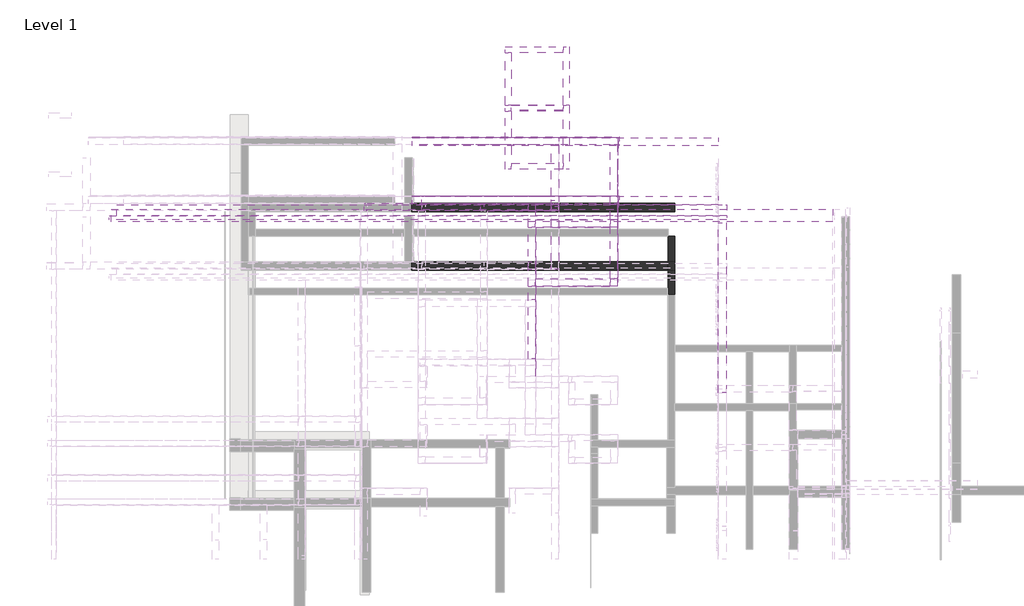
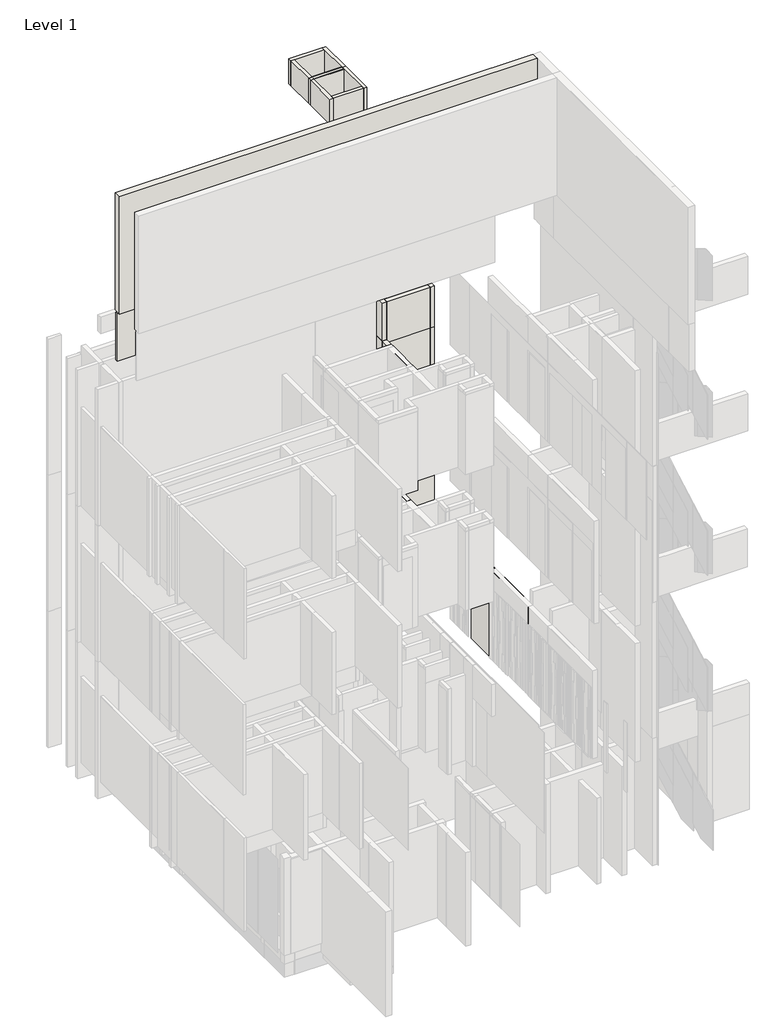
# One storey, part 8 of 16: 66 walls.
"""IFC4 building model written with IfcOpenShell, lengths in millimetres."""

from ifc_helpers import new_model, si_unit, frame, origin, place, context, project, spatial, polyline, outline, extrude, faceted_brep, element, save

model = new_model("IFC4")

# Units and contexts
model_context = context("Model", 3, world=origin())
ifc_project = project(units=[si_unit("LENGTHUNIT", "METRE", prefix="MILLI")], contexts=[model_context])

# Site, building, storey
site = spatial("IfcSite", under=ifc_project)
building = spatial("IfcBuilding", under=site)
storey = spatial("IfcBuildingStorey", under=building, Name="Level 1", Elevation=0.0)

# Walls
placement = place(None, origin())
element("IfcWall", 1, at=placement, inside=storey, context=model_context, shape_type="Brep", body=[
    faceted_brep([(6350.7910444, 10346.119403, 4000.0), (6350.7910444, 10226.1090398, 4000.0), (6350.7910444, 9338.119403, 4000.0), (6350.7910444, 9210.119403, 4000.0), (6350.7910444, 9210.119403, 8300.0), (6350.7910444, 9338.119403, 8300.0), (6350.7910444, 10226.1090398, 8300.0), (6350.7910444, 10354.1090398, 8300.0), (6350.7910444, 10410.119403, 8300.0), (6350.7910444, 10410.119403, 7679.0), (6350.7910444, 10346.119403, 7679.0), (6478.7910444, 10346.119403, 4000.0), (6478.7910444, 10346.119403, 7679.0), (6478.7910444, 10410.119403, 7679.0), (6478.7910444, 10410.119403, 8300.0), (6478.7910444, 9210.119403, 8300.0), (6478.7910444, 9210.119403, 4000.0)], [[[0, 1, 2, 3, 4, 5, 6, 7, 8, 9, 10]], [[11, 12, 13, 14, 15, 16]], [[3, 2, 1, 0, 11, 16]], [[8, 7, 6, 5, 4, 15, 14]], [[3, 16, 15, 4]], [[9, 8, 14, 13]], [[9, 13, 12, 10]], [[0, 10, 12, 11]]]),
])
element("IfcWall", 2, at=placement, inside=storey, context=model_context, shape_type="Brep", body=[
    faceted_brep([(7375.7910444, 10346.119403, 12600.0), (7375.7910444, 9048.119403, 12600.0), (7375.7910444, 8920.119403, 12600.0), (7375.7910444, 8920.119403, 16900.0), (7375.7910444, 9048.119403, 16900.0), (7375.7910444, 10346.119403, 16900.0), (7503.7910444, 10346.119403, 12600.0), (7503.7910444, 10346.119403, 16900.0), (7503.7910444, 8920.119403, 16900.0), (7503.7910444, 8920.119403, 12600.0)], [[[0, 1, 2, 3, 4, 5]], [[6, 7, 8, 9]], [[2, 1, 0, 6, 9]], [[5, 4, 3, 8, 7]], [[0, 5, 7, 6]], [[3, 2, 9, 8]]]),
])
element("IfcWall", 3, at=placement, inside=storey, context=model_context, shape_type="SweptSolid", body=[
    extrude(outline(polyline([(7375.7910444, 8920.119403), (6078.7910444, 8920.119403), (6078.7910444, 9048.119403), (7375.7910444, 9048.119403), (7375.7910444, 8920.119403)])), frame((0.0, 0.0, 12600.0), z_axis=(0.0, 0.0, 1.0), x_axis=(1.0, 0.0, 0.0)), (0.0, 0.0, 1.0), 4300.0),
])
element("IfcWall", 4, at=placement, inside=storey, context=model_context, shape_type="Brep", body=[
    faceted_brep([(6078.7910444, 8920.119403, 12600.0), (6078.7910444, 9048.119403, 12600.0), (6078.7910444, 9210.119403, 12600.0), (6078.7910444, 9210.119403, 16900.0), (6078.7910444, 9048.119403, 16900.0), (6078.7910444, 8920.119403, 16900.0), (5950.7910444, 8920.119403, 12600.0), (5950.7910444, 8920.119403, 13100.0), (5950.7910444, 8920.119403, 15700.0), (5950.7910444, 8920.119403, 16900.0), (5950.7910444, 9210.119403, 16900.0), (5950.7910444, 9210.119403, 12600.0)], [[[0, 1, 2, 3, 4, 5]], [[6, 7, 8, 9, 10, 11]], [[2, 1, 0, 6, 11]], [[5, 4, 3, 10, 9]], [[3, 2, 11, 10]], [[0, 5, 9, 8, 7, 6]]]),
])
element("IfcWall", 5, at=placement, inside=storey, context=model_context, shape_type="SweptSolid", body=[
    extrude(outline(polyline([(9246.7910453, 10330.119403), (3946.7910453, 10330.119403), (3946.7910453, 10474.119403), (9246.7910453, 10474.119403), (9246.7910453, 10330.119403)])), frame((0.0, 0.0, 2500.0), z_axis=(0.0, 0.0, 1.0), x_axis=(1.0, 0.0, 0.0)), (0.0, 0.0, 1.0), 1000.0),
])
element("IfcWall", 6, at=placement, inside=storey, context=model_context, shape_type="Brep", body=[
    faceted_brep([(3946.7910453, 10346.119403, 4000.0), (6350.7910444, 10346.119403, 4000.0), (6478.7910444, 10346.119403, 4000.0), (6478.7910444, 10346.119403, 7679.0), (6350.7910444, 10346.119403, 7679.0), (3946.7910453, 10346.119403, 7679.0), (3946.7910453, 10474.119403, 4000.0), (3946.7910453, 10474.119403, 7679.0), (6350.7910444, 10474.119403, 7679.0), (6478.7910444, 10474.119403, 7679.0), (6478.7910444, 10474.119403, 4000.0), (6350.7910444, 10474.119403, 4000.0), (6478.7910444, 10410.119403, 7679.0)], [[[0, 1, 2, 3, 4, 5]], [[6, 7, 8, 9, 10, 11]], [[2, 1, 0, 6, 11, 10]], [[5, 4, 3, 12, 9, 8, 7]], [[0, 5, 7, 6]], [[3, 2, 10, 9, 12]]]),
])
element("IfcWall", 7, at=placement, inside=storey, context=model_context, shape_type="Brep", body=[
    faceted_brep([(4112.7910444, 10346.1090395, 8300.0), (7375.7910444, 10346.1090395, 8300.0), (7503.7910444, 10346.1090395, 8300.0), (7503.7910444, 10346.1090395, 11980.0), (4112.7910444, 10346.1090395, 11980.0), (4112.7910444, 10346.1090395, 11400.0), (4171.7910444, 10346.1090395, 11400.0), (4171.7910444, 10346.1090395, 8800.0), (4112.7910444, 10346.1090395, 8800.0), (4112.7910444, 10474.1090395, 8300.0), (4112.7910444, 10474.1090395, 8800.0), (4171.7910444, 10474.1090395, 8800.0), (4171.7910444, 10474.1090395, 11400.0), (4112.7910444, 10474.1090395, 11400.0), (4112.7910444, 10474.1090395, 11980.0), (7503.7910444, 10474.1090395, 11980.0), (7503.7910444, 10474.1090395, 8300.0), (4112.7910444, 10354.1090398, 8300.0)], [[[0, 1, 2, 3, 4, 5, 6, 7, 8]], [[9, 10, 11, 12, 13, 14, 15, 16]], [[2, 1, 0, 17, 9, 16]], [[4, 3, 15, 14]], [[3, 2, 16, 15]], [[0, 8, 10, 9, 17]], [[7, 11, 10, 8]], [[5, 4, 14, 13]], [[5, 13, 12, 6]], [[7, 6, 12, 11]]]),
])
element("IfcWall", 8, at=placement, inside=storey, context=model_context, shape_type="Brep", body=[
    faceted_brep([(3929.7910453, 9194.119403, 0.0), (8381.7910444, 9194.119403, 0.0), (8486.7910444, 9194.119403, 0.0), (8486.7910444, 9194.119403, 3445.0), (8381.7910444, 9194.119403, 3445.0), (3929.7910453, 9194.119403, 3445.0), (3929.7910453, 9338.119403, 0.0), (3929.7910453, 9338.119403, 3445.0), (8486.7910444, 9338.119403, 3445.0), (8486.7910444, 9338.119403, 0.0)], [[[0, 1, 2, 3, 4, 5]], [[6, 7, 8, 9]], [[2, 1, 0, 6, 9]], [[5, 4, 3, 8, 7]], [[0, 5, 7, 6]], [[3, 2, 9, 8]]]),
])
element("IfcWall", 9, at=placement, inside=storey, context=model_context, shape_type="Brep", body=[
    faceted_brep([(6078.6745009, 8920.119403, 12067.0), (6078.6745009, 8920.119403, 8300.0), (6078.6745009, 9048.119403, 8300.0), (6078.6745009, 9338.119403, 8300.0), (6078.6745009, 9338.119403, 12067.0), (6078.6745009, 9048.119403, 12067.0), (5950.6745009, 8920.119403, 8300.0), (5950.6745009, 8920.119403, 8800.0), (5950.6745009, 8920.119403, 11400.0), (5950.6745009, 8920.119403, 12067.0), (5950.6745009, 9338.119403, 12067.0), (5950.6745009, 9338.119403, 8300.0), (5950.6745009, 9210.119403, 8300.0)], [[[0, 1, 2, 3, 4, 5]], [[6, 7, 8, 9, 10, 11, 12]], [[3, 2, 1, 6, 12, 11]], [[0, 5, 4, 10, 9]], [[4, 3, 11, 10]], [[0, 9, 8, 7, 6, 1]]]),
])
element("IfcWall", 10, at=placement, inside=storey, context=model_context, shape_type="Brep", body=[
    faceted_brep([(6083.7910444, 8918.119403, 8800.0), (7505.7910444, 8918.119403, 8800.0), (7505.7910444, 8918.119403, 11300.0), (6083.7910444, 8918.119403, 11300.0), (6083.7910444, 8920.119403, 8800.0), (6083.7910444, 8920.119403, 11300.0), (7503.7910444, 8920.119403, 11300.0), (7505.7910444, 8920.119403, 11300.0), (7505.7910444, 8920.119403, 8800.0), (7503.7910444, 8920.119403, 8800.0)], [[[0, 1, 2, 3]], [[4, 5, 6, 7, 8, 9]], [[1, 0, 4, 9, 8]], [[3, 2, 7, 6, 5]], [[0, 3, 5, 4]], [[2, 1, 8, 7]]]),
])
element("IfcWall", 11, at=placement, inside=storey, context=model_context, shape_type="Brep", body=[
    faceted_brep([(7505.7910444, 8920.119403, 8800.0), (7505.7910444, 10107.1090395, 8800.0), (7505.7910444, 10109.1090395, 8800.0), (7505.7910444, 10227.1090395, 8800.0), (7505.7910444, 10227.1090395, 11300.0), (7505.7910444, 10109.1090395, 11300.0), (7505.7910444, 8920.119403, 11300.0), (7503.7910444, 8920.119403, 8800.0), (7503.7910444, 8920.119403, 11300.0), (7503.7910444, 10109.1090395, 11300.0), (7503.7910444, 10227.1090395, 11300.0), (7503.7910444, 10227.1090395, 8800.0)], [[[0, 1, 2, 3, 4, 5, 6]], [[7, 8, 9, 10, 11]], [[3, 2, 1, 0, 7, 11]], [[6, 5, 4, 10, 9, 8]], [[0, 6, 8, 7]], [[4, 3, 11, 10]]]),
])
element("IfcWall", 12, at=placement, inside=storey, context=model_context, shape_type="SweptSolid", body=[
    extrude(outline(polyline([(6081.7910444, 8920.119403), (6081.7910444, 7665.119403), (5950.7910444, 7665.119403), (5950.7910444, 8920.119403), (6081.7910444, 8920.119403)])), frame((0.0, 0.0, 13100.0), z_axis=(0.0, 0.0, 1.0), x_axis=(1.0, 0.0, 0.0)), (0.0, 0.0, 1.0), 2600.0),
])
element("IfcWall", 13, at=placement, inside=storey, context=model_context, shape_type="SweptSolid", body=[
    extrude(outline(polyline([(6081.7910444, 8920.119403), (6081.7910444, 7665.119403), (5950.7910444, 7665.119403), (5950.7910444, 8920.119403), (6081.7910444, 8920.119403)])), frame((0.0, 0.0, 8800.0), z_axis=(0.0, 0.0, 1.0), x_axis=(1.0, 0.0, 0.0)), (0.0, 0.0, 1.0), 2600.0),
])
element("IfcWall", 14, at=placement, inside=storey, context=model_context, shape_type="Brep", body=[
    faceted_brep([(6083.7910444, 8918.119403, 13100.0), (7505.7910444, 8918.119403, 13100.0), (7505.7910444, 8918.119403, 15600.0), (6083.7910444, 8918.119403, 15600.0), (6083.7910444, 8920.119403, 13100.0), (6083.7910444, 8920.119403, 15600.0), (7503.7910444, 8920.119403, 15600.0), (7505.7910444, 8920.119403, 15600.0), (7505.7910444, 8920.119403, 13100.0), (7503.7910444, 8920.119403, 13100.0)], [[[0, 1, 2, 3]], [[4, 5, 6, 7, 8, 9]], [[1, 0, 4, 9, 8]], [[3, 2, 7, 6, 5]], [[0, 3, 5, 4]], [[2, 1, 8, 7]]]),
])
element("IfcWall", 15, at=placement, inside=storey, context=model_context, shape_type="Brep", body=[
    faceted_brep([(7505.7910444, 8920.119403, 13100.0), (7505.7910444, 10107.1090395, 13100.0), (7505.7910444, 10109.1090395, 13100.0), (7505.7910444, 10109.1090395, 15600.0), (7505.7910444, 10107.1090395, 15600.0), (7505.7910444, 8920.119403, 15600.0), (7503.7910444, 8920.119403, 13100.0), (7503.7910444, 8920.119403, 15600.0), (7503.7910444, 10109.1090395, 15600.0), (7503.7910444, 10109.1090395, 13100.0)], [[[0, 1, 2, 3, 4, 5]], [[6, 7, 8, 9]], [[2, 1, 0, 6, 9]], [[5, 4, 3, 8, 7]], [[0, 5, 7, 6]], [[3, 2, 9, 8]]]),
])
element("IfcWall", 16, at=placement, inside=storey, context=model_context, shape_type="Brep", body=[
    faceted_brep([(7375.7910444, 10346.1090395, 8300.0), (7375.7910444, 9048.119403, 8300.0), (7375.7910444, 9048.119403, 12067.0), (7375.7910444, 10346.1090395, 12067.0), (7503.7910444, 10346.1090395, 8300.0), (7503.7910444, 10346.1090395, 11980.0), (7503.7910444, 10346.1090395, 12067.0), (7503.7910444, 9048.119403, 12067.0), (7503.7910444, 9048.119403, 8300.0)], [[[0, 1, 2, 3]], [[4, 5, 6, 7, 8]], [[1, 0, 4, 8]], [[3, 2, 7, 6]], [[0, 3, 6, 5, 4]], [[2, 1, 8, 7]]]),
])
element("IfcWall", 17, at=placement, inside=storey, context=model_context, shape_type="Brep", body=[
    faceted_brep([(6078.6745009, 8920.119403, 8300.0), (7503.7910444, 8920.119403, 8300.0), (7503.7910444, 8920.119403, 12067.0), (6078.6745009, 8920.119403, 12067.0), (6078.6745009, 9048.119403, 8300.0), (6078.6745009, 9048.119403, 12067.0), (7375.7910444, 9048.119403, 12067.0), (7503.7910444, 9048.119403, 12067.0), (7503.7910444, 9048.119403, 8300.0), (7375.7910444, 9048.119403, 8300.0)], [[[0, 1, 2, 3]], [[4, 5, 6, 7, 8, 9]], [[1, 0, 4, 9, 8]], [[3, 2, 7, 6, 5]], [[0, 3, 5, 4]], [[2, 1, 8, 7]]]),
])
element("IfcWall", 18, at=placement, inside=storey, context=model_context, shape_type="Brep", body=[
    faceted_brep([(3946.7910453, 10474.1090395, 8800.0), (7503.7910444, 10474.1090394, 8800.0), (7505.7910444, 10474.1090394, 8800.0), (7505.7910444, 10474.1090394, 11980.0), (7503.7910444, 10474.1090394, 11980.0), (3946.7910453, 10474.1090395, 11980.0), (3946.7910453, 10476.1090395, 8800.0), (3946.7910453, 10476.1090395, 11980.0), (7505.7910444, 10476.1090394, 11980.0), (7505.7910444, 10476.1090394, 8800.0)], [[[0, 1, 2, 3, 4, 5]], [[6, 7, 8, 9]], [[3, 2, 9, 8]], [[2, 1, 0, 6, 9]], [[5, 4, 3, 8, 7]], [[0, 5, 7, 6]]]),
])
element("IfcWall", 19, at=placement, inside=storey, context=model_context, shape_type="Brep", body=[
    faceted_brep([(7503.7910444, 10474.1090394, 8800.0), (7503.7910444, 10227.1090395, 8800.0), (7503.7910444, 10227.1090395, 11300.0), (7503.7910444, 10227.1090395, 11980.0), (7503.7910444, 10474.1090394, 11980.0), (7505.7910444, 10474.1090394, 8800.0), (7505.7910444, 10474.1090394, 11980.0), (7505.7910444, 10228.1090395, 11980.0), (7505.7910444, 10227.1090395, 11980.0), (7505.7910444, 10227.1090395, 11300.0), (7505.7910444, 10227.1090395, 8800.0), (7505.7910444, 10228.1090395, 8800.0)], [[[0, 1, 2, 3, 4]], [[5, 6, 7, 8, 9, 10, 11]], [[0, 4, 6, 5]], [[1, 0, 5, 11, 10]], [[4, 3, 8, 7, 6]], [[3, 2, 1, 10, 9, 8]]]),
])
element("IfcWall", 20, at=placement, inside=storey, context=model_context, shape_type="Brep", body=[
    faceted_brep([(3946.7910453, 10474.119403, 13100.0), (7517.1745009, 10474.119403, 13100.0), (7529.1745009, 10474.119403, 13100.0), (7529.1745009, 10474.119403, 16275.0), (7517.1745009, 10474.119403, 16275.0), (3946.7910453, 10474.119403, 16275.0), (3946.7910453, 10486.119403, 13100.0), (3946.7910453, 10486.119403, 16275.0), (7529.1745009, 10486.119403, 16275.0), (7529.1745009, 10486.119403, 13100.0)], [[[0, 1, 2, 3, 4, 5]], [[6, 7, 8, 9]], [[2, 1, 0, 6, 9]], [[5, 4, 3, 8, 7]], [[0, 5, 7, 6]], [[3, 2, 9, 8]]]),
])
element("IfcWall", 21, at=placement, inside=storey, context=model_context, shape_type="Brep", body=[
    faceted_brep([(7515.7910444, 10239.1090395, 13100.0), (7515.7910444, 10334.119403, 13100.0), (7515.7910444, 10346.119403, 13100.0), (7515.7910444, 10346.119403, 16275.0), (7515.7910444, 10334.119403, 16275.0), (7515.7910444, 10239.1090395, 16275.0), (7503.7910444, 10239.1090395, 13100.0), (7503.7910444, 10239.1090395, 16275.0), (7503.7910444, 10346.119403, 16275.0), (7503.7910444, 10346.119403, 13100.0)], [[[0, 1, 2, 3, 4, 5]], [[6, 7, 8, 9]], [[2, 1, 0, 6, 9]], [[5, 4, 3, 8, 7]], [[0, 5, 7, 6]], [[3, 2, 9, 8]]]),
])
element("IfcWall", 22, at=placement, inside=storey, context=model_context, shape_type="Brep", body=[
    faceted_brep([(7515.7910444, 10334.119403, 13100.0), (7529.1745009, 10334.119403, 13100.0), (7529.1745009, 10334.119403, 16275.0), (7515.7910444, 10334.119403, 16275.0), (7515.7910444, 10346.119403, 13100.0), (7515.7910444, 10346.119403, 16275.0), (7517.1745009, 10346.119403, 16275.0), (7529.1745009, 10346.119403, 16275.0), (7529.1745009, 10346.119403, 13100.0), (7517.1745009, 10346.119403, 13100.0)], [[[0, 1, 2, 3]], [[4, 5, 6, 7, 8, 9]], [[1, 0, 4, 9, 8]], [[3, 2, 7, 6, 5]], [[0, 3, 5, 4]], [[2, 1, 8, 7]]]),
])
element("IfcWall", 23, at=placement, inside=storey, context=model_context, shape_type="SweptSolid", body=[
    extrude(outline(polyline([(7529.1745009, 10474.119403), (7529.1745009, 10346.119403), (7517.1745009, 10346.119403), (7517.1745009, 10474.119403), (7529.1745009, 10474.119403)])), frame((0.0, 0.0, 13100.0), z_axis=(0.0, 0.0, 1.0), x_axis=(1.0, 0.0, 0.0)), (0.0, 0.0, 1.0), 3175.0),
])
element("IfcWall", 24, at=placement, inside=storey, context=model_context, shape_type="Brep", body=[
    faceted_brep([(6557.294984, 12046.5604653, 21450.0), (6557.294984, 11956.5501021, 21450.0), (6557.294984, 11943.5604653, 21450.0), (6557.294984, 11043.5604653, 21450.0), (6557.294984, 10940.5604653, 21450.0), (6557.294984, 10940.5604653, 22235.0), (6557.294984, 11043.5604653, 22235.0), (6557.294984, 11943.5604653, 22235.0), (6557.294984, 11956.5501021, 22235.0), (6557.294984, 12046.5604653, 22235.0), (6660.294984, 12046.5604653, 21450.0), (6660.294984, 12046.5604653, 22235.0), (6660.294984, 10940.5604653, 22235.0), (6660.294984, 10940.5604653, 21450.0)], [[[0, 1, 2, 3, 4, 5, 6, 7, 8, 9]], [[10, 11, 12, 13]], [[4, 3, 2, 1, 0, 10, 13]], [[9, 8, 7, 6, 5, 12, 11]], [[0, 9, 11, 10]], [[5, 4, 13, 12]]]),
])
element("IfcWall", 25, at=placement, inside=storey, context=model_context, shape_type="Brep", body=[
    faceted_brep([(5554.294984, 11943.5604653, 21450.0), (5657.294984, 11943.5604653, 21450.0), (6557.294984, 11943.5604653, 21450.0), (6557.294984, 11943.5604653, 22235.0), (5657.294984, 11943.5604653, 22235.0), (5554.294984, 11943.5604653, 22235.0), (5554.294984, 12046.5604653, 21450.0), (5554.294984, 12046.5604653, 22235.0), (5657.294984, 12046.5604653, 22235.0), (6557.294984, 12046.5604653, 22235.0), (6557.294984, 12046.5604653, 21450.0), (5657.294984, 12046.5604653, 21450.0)], [[[0, 1, 2, 3, 4, 5]], [[6, 7, 8, 9, 10, 11]], [[2, 1, 0, 6, 11, 10]], [[5, 4, 3, 9, 8, 7]], [[3, 2, 10, 9]], [[0, 5, 7, 6]]]),
])
element("IfcWall", 26, at=placement, inside=storey, context=model_context, shape_type="Brep", body=[
    faceted_brep([(5657.294984, 10940.5604653, 21450.0), (5657.294984, 11043.5604653, 21450.0), (5657.294984, 11943.5604653, 21450.0), (5657.294984, 11943.5604653, 22235.0), (5657.294984, 11043.5604653, 22235.0), (5657.294984, 10940.5604653, 22235.0), (5554.294984, 10940.5604653, 21450.0), (5554.294984, 10940.5604653, 22235.0), (5554.294984, 11943.5604653, 22235.0), (5554.294984, 11943.5604653, 21450.0)], [[[0, 1, 2, 3, 4, 5]], [[6, 7, 8, 9]], [[2, 1, 0, 6, 9]], [[5, 4, 3, 8, 7]], [[3, 2, 9, 8]], [[0, 5, 7, 6]]]),
])
element("IfcWall", 27, at=placement, inside=storey, context=model_context, shape_type="SweptSolid", body=[
    extrude(outline(polyline([(5657.294984, 11043.5604653), (6557.294984, 11043.5604653), (6557.294984, 10940.5604653), (5657.294984, 10940.5604653), (5657.294984, 11043.5604653)])), frame((0.0, 0.0, 21450.0), z_axis=(0.0, 0.0, 1.0), x_axis=(1.0, 0.0, 0.0)), (0.0, 0.0, 1.0), 785.0),
])
element("IfcWall", 28, at=placement, inside=storey, context=model_context, shape_type="Brep", body=[
    faceted_brep([(6350.7910444, 11362.1090398, 4000.0), (6350.7910444, 10474.119403, 4000.0), (6350.7910444, 10474.119403, 7679.0), (6350.7910444, 10290.1090398, 7679.0), (6350.7910444, 10290.1090398, 8300.0), (6350.7910444, 10354.1090398, 8300.0), (6350.7910444, 11362.1090398, 8300.0), (6478.7910444, 11362.1090398, 4000.0), (6478.7910444, 11362.1090398, 7679.0), (6478.7910444, 11362.1090398, 8300.0), (6478.7910444, 10290.1090398, 8300.0), (6478.7910444, 10290.1090398, 7679.0), (6478.7910444, 10346.119403, 7679.0), (6478.7910444, 10474.119403, 7679.0), (6478.7910444, 10474.119403, 4000.0)], [[[0, 1, 2, 3, 4, 5, 6]], [[7, 8, 9, 10, 11, 12, 13, 14]], [[1, 0, 7, 14]], [[6, 5, 4, 10, 9]], [[0, 6, 9, 8, 7]], [[4, 3, 11, 10]], [[11, 3, 2, 13, 12]], [[2, 1, 14, 13]]]),
])
element("IfcWall", 29, at=placement, inside=storey, context=model_context, shape_type="SweptSolid", body=[
    extrude(outline(polyline([(-1258.2089556, 10251.1090398), (11223.7910444, 10251.1090398), (11223.7910444, 10035.1090398), (-1258.2089556, 10035.1090398), (-1258.2089556, 10251.1090398)])), frame((0.0, 0.0, 18400.0), z_axis=(0.0, 0.0, 1.0), x_axis=(1.0, 0.0, 0.0)), (0.0, 0.0, 1.0), 3700.0),
])
element("IfcWall", 30, at=placement, inside=storey, context=model_context, shape_type="Brep", body=[
    faceted_brep([(7375.7910444, 11362.1090398, 12600.0), (7375.7910444, 10064.1090398, 12600.0), (7375.7910444, 9936.1090398, 12600.0), (7375.7910444, 9936.1090398, 16900.0), (7375.7910444, 10064.1090398, 16900.0), (7375.7910444, 11362.1090398, 16900.0), (7503.7910444, 11362.1090398, 12600.0), (7503.7910444, 11362.1090398, 16900.0), (7503.7910444, 9936.1090398, 16900.0), (7503.7910444, 9936.1090398, 12600.0)], [[[0, 1, 2, 3, 4, 5]], [[6, 7, 8, 9]], [[2, 1, 0, 6, 9]], [[5, 4, 3, 8, 7]], [[0, 5, 7, 6]], [[3, 2, 9, 8]]]),
])
element("IfcWall", 31, at=placement, inside=storey, context=model_context, shape_type="SweptSolid", body=[
    extrude(outline(polyline([(7375.7910444, 9936.1090398), (6078.7910444, 9936.1090398), (6078.7910444, 10064.1090398), (7375.7910444, 10064.1090398), (7375.7910444, 9936.1090398)])), frame((0.0, 0.0, 12600.0), z_axis=(0.0, 0.0, 1.0), x_axis=(1.0, 0.0, 0.0)), (0.0, 0.0, 1.0), 4300.0),
])
element("IfcWall", 32, at=placement, inside=storey, context=model_context, shape_type="Brep", body=[
    faceted_brep([(6078.7910444, 9936.1090398, 12600.0), (6078.7910444, 10064.1090398, 12600.0), (6078.7910444, 10226.1090398, 12600.0), (6078.7910444, 10226.1090398, 16900.0), (6078.7910444, 10064.1090398, 16900.0), (6078.7910444, 9936.1090398, 16900.0), (5950.7910444, 9936.1090398, 12600.0), (5950.7910444, 9936.1090398, 13100.0), (5950.7910444, 9936.1090398, 15700.0), (5950.7910444, 9936.1090398, 16900.0), (5950.7910444, 10226.1090398, 16900.0), (5950.7910444, 10226.1090398, 12600.0)], [[[0, 1, 2, 3, 4, 5]], [[6, 7, 8, 9, 10, 11]], [[2, 1, 0, 6, 11]], [[5, 4, 3, 10, 9]], [[3, 2, 11, 10]], [[0, 5, 9, 8, 7, 6]]]),
])
element("IfcWall", 33, at=placement, inside=storey, context=model_context, shape_type="SweptSolid", body=[
    extrude(outline(polyline([(9246.7910453, 11346.1090398), (3946.7910453, 11346.1090398), (3946.7910453, 11490.1090398), (9246.7910453, 11490.1090398), (9246.7910453, 11346.1090398)])), frame((0.0, 0.0, 2500.0), z_axis=(0.0, 0.0, 1.0), x_axis=(1.0, 0.0, 0.0)), (0.0, 0.0, 1.0), 1000.0),
])
element("IfcWall", 34, at=placement, inside=storey, context=model_context, shape_type="Brep", body=[
    faceted_brep([(9377.7910444, 7078.1090398, 4500.0), (9377.7910444, 7083.1090398, 4500.0), (9377.7910444, 7201.1090398, 4500.0), (9377.7910444, 10020.1090398, 4500.0), (9377.7910444, 10020.1090398, 7279.0), (9377.7910444, 7078.1090398, 7279.0), (9246.7910444, 7078.1090398, 4500.0), (9246.7910444, 7078.1090398, 7279.0), (9246.7910444, 10020.1090398, 7279.0), (9246.7910444, 10020.1090398, 4500.0)], [[[0, 1, 2, 3, 4, 5]], [[6, 7, 8, 9]], [[3, 2, 1, 0, 6, 9]], [[4, 3, 9, 8]], [[5, 4, 8, 7]], [[0, 5, 7, 6]]]),
])
element("IfcWall", 35, at=placement, inside=storey, context=model_context, shape_type="Brep", body=[
    faceted_brep([(3946.7910453, 11362.1090398, 4000.0), (6350.7910444, 11362.1090398, 4000.0), (6478.7910444, 11362.1090398, 4000.0), (6478.7910444, 11362.1090398, 7679.0), (3946.7910453, 11362.1090398, 7679.0), (3946.7910453, 11490.1090398, 4000.0), (3946.7910453, 11490.1090398, 7679.0), (6478.7910444, 11490.1090398, 7679.0), (6478.7910444, 11490.1090398, 4000.0)], [[[0, 1, 2, 3, 4]], [[5, 6, 7, 8]], [[2, 1, 0, 5, 8]], [[4, 3, 7, 6]], [[0, 4, 6, 5]], [[3, 2, 8, 7]]]),
])
element("IfcWall", 36, at=placement, inside=storey, context=model_context, shape_type="Brep", body=[
    faceted_brep([(3946.7910453, 11362.0986763, 8300.0), (7375.7910444, 11362.0986763, 8300.0), (7503.7910444, 11362.0986763, 8300.0), (7503.7910444, 11362.0986763, 11980.0), (3946.7910453, 11362.0986763, 11980.0), (3946.7910453, 11490.0986763, 8300.0), (3946.7910453, 11490.0986763, 11980.0), (7503.7910444, 11490.0986763, 11980.0), (7503.7910444, 11490.0986763, 8300.0)], [[[0, 1, 2, 3, 4]], [[5, 6, 7, 8]], [[2, 1, 0, 5, 8]], [[4, 3, 7, 6]], [[0, 4, 6, 5]], [[3, 2, 8, 7]]]),
])
element("IfcWall", 37, at=placement, inside=storey, context=model_context, shape_type="Brep", body=[
    faceted_brep([(4112.7910444, 10226.1090398, 12600.0), (5950.7910444, 10226.1090398, 12600.0), (6078.7910444, 10226.1090398, 12600.0), (6078.7910444, 10226.1090398, 16900.0), (5950.7910444, 10226.1090398, 16900.0), (4112.7910444, 10226.1090398, 16900.0), (4112.7910444, 10226.1090398, 15700.0), (4171.7910444, 10226.1090398, 15700.0), (4171.7910444, 10226.1090398, 13100.0), (4112.7910444, 10226.1090398, 13100.0), (4112.7910444, 10354.1090398, 12600.0), (4112.7910444, 10354.1090398, 13100.0), (4171.7910444, 10354.1090398, 13100.0), (4171.7910444, 10354.1090398, 15700.0), (4112.7910444, 10354.1090398, 15700.0), (4112.7910444, 10354.1090398, 16900.0), (6078.7910444, 10354.1090398, 16900.0), (6078.7910444, 10354.1090398, 12600.0)], [[[0, 1, 2, 3, 4, 5, 6, 7, 8, 9]], [[10, 11, 12, 13, 14, 15, 16, 17]], [[2, 1, 0, 10, 17]], [[5, 4, 3, 16, 15]], [[3, 2, 17, 16]], [[0, 9, 11, 10]], [[8, 12, 11, 9]], [[6, 5, 15, 14]], [[6, 14, 13, 7]], [[8, 7, 13, 12]]]),
])
element("IfcWall", 38, at=placement, inside=storey, context=model_context, shape_type="Brep", body=[
    faceted_brep([(3929.7910453, 10210.1090398, 0.0), (8381.7910444, 10210.1090398, 0.0), (8486.7910444, 10210.1090398, 0.0), (8486.7910444, 10210.1090398, 3445.0), (8381.7910444, 10210.1090398, 3445.0), (3929.7910453, 10210.1090398, 3445.0), (3929.7910453, 10354.1090398, 0.0), (3929.7910453, 10354.1090398, 3445.0), (8486.7910444, 10354.1090398, 3445.0), (8486.7910444, 10354.1090398, 0.0)], [[[0, 1, 2, 3, 4, 5]], [[6, 7, 8, 9]], [[2, 1, 0, 6, 9]], [[5, 4, 3, 8, 7]], [[0, 5, 7, 6]], [[3, 2, 9, 8]]]),
])
element("IfcWall", 39, at=placement, inside=storey, context=model_context, shape_type="Brep", body=[
    faceted_brep([(6479.7910444, 10226.1090398, 6800.0), (6479.7910444, 10226.1090398, 4500.0), (5246.7910444, 10226.1090398, 4500.0), (5246.7910444, 10226.1090398, 6800.0), (6479.7910444, 10224.1090398, 4500.0), (6479.7910444, 10224.1090398, 4508.0), (6479.7910444, 10224.1090398, 6700.0), (6479.7910444, 10224.1090398, 6800.0), (5248.7910444, 10224.1090398, 6800.0), (5246.7910444, 10224.1090398, 6800.0), (5246.7910444, 10224.1090398, 4500.0), (5248.7910444, 10224.1090398, 4500.0)], [[[0, 1, 2, 3]], [[4, 5, 6, 7, 8, 9, 10, 11]], [[2, 1, 4, 11, 10]], [[3, 2, 10, 9]], [[0, 3, 9, 8, 7]], [[0, 7, 6, 5, 4, 1]]]),
])
element("IfcWall", 40, at=placement, inside=storey, context=model_context, shape_type="Brep", body=[
    faceted_brep([(5187.7910444, 10226.1090398, 4000.0), (6350.7910444, 10226.1090398, 4000.0), (6350.7910444, 10226.1090398, 8300.0), (5187.7910444, 10226.1090398, 8300.0), (5187.7910444, 10226.1090398, 7200.0), (5128.7910444, 10226.1090398, 7200.0), (5128.7910444, 10226.1090398, 4500.0), (5187.7910444, 10226.1090398, 4500.0), (5187.7910444, 10354.1090398, 4000.0), (5187.7910444, 10354.1090398, 4500.0), (5128.7910444, 10354.1090398, 4500.0), (5128.7910444, 10354.1090398, 7200.0), (5187.7910444, 10354.1090398, 7200.0), (5187.7910444, 10354.1090398, 8300.0), (6350.7910444, 10354.1090398, 8300.0), (6350.7910444, 10354.1090398, 4000.0), (6350.7910444, 10346.119403, 4000.0), (6350.7910444, 10290.1090398, 8300.0)], [[[0, 1, 2, 3, 4, 5, 6, 7]], [[8, 9, 10, 11, 12, 13, 14, 15]], [[1, 0, 8, 15, 16]], [[3, 2, 17, 14, 13]], [[0, 7, 9, 8]], [[6, 10, 9, 7]], [[4, 3, 13, 12]], [[4, 12, 11, 5]], [[6, 5, 11, 10]], [[1, 16, 15, 14, 17, 2]]]),
])
element("IfcWall", 41, at=placement, inside=storey, context=model_context, shape_type="SweptSolid", body=[
    extrude(outline(polyline([(4000.0, 3112.7910444), (4000.0, 5187.7910444), (4500.0, 5187.7910444), (4500.0, 5128.7910444), (7200.0, 5128.7910444), (7200.0, 5187.7910444), (8300.0, 5187.7910444), (8300.0, 3112.7910444), (7200.0, 3112.7910444), (7200.0, 3171.7910444), (4500.0, 3171.7910444), (4500.0, 3112.7910444), (4000.0, 3112.7910444)])), frame((0.0, 10226.1090398, 0.0), z_axis=(0.0, 1.0, 0.0), x_axis=(0.0, 0.0, 1.0)), (0.0, 0.0, 1.0), 128.0),
])
element("IfcWall", 42, at=placement, inside=storey, context=model_context, shape_type="Brep", body=[
    faceted_brep([(6078.6745009, 9936.1090398, 12067.0), (6078.6745009, 9936.1090398, 8300.0), (6078.6745009, 10064.1090398, 8300.0), (6078.6745009, 10354.1090398, 8300.0), (6078.6745009, 10354.1090398, 12067.0), (6078.6745009, 10064.1090398, 12067.0), (5950.6745009, 9936.1090398, 8300.0), (5950.6745009, 9936.1090398, 8800.0), (5950.6745009, 9936.1090398, 11400.0), (5950.6745009, 9936.1090398, 12067.0), (5950.6745009, 10354.1090398, 12067.0), (5950.6745009, 10354.1090398, 8300.0), (5950.6745009, 10226.1090398, 8300.0)], [[[0, 1, 2, 3, 4, 5]], [[6, 7, 8, 9, 10, 11, 12]], [[3, 2, 1, 6, 12, 11]], [[0, 5, 4, 10, 9]], [[4, 3, 11, 10]], [[0, 9, 8, 7, 6, 1]]]),
])
element("IfcWall", 43, at=placement, inside=storey, context=model_context, shape_type="Brep", body=[
    faceted_brep([(4112.7910444, 10226.1090398, 12600.0), (4112.7910444, 10226.1090398, 8300.0), (5950.6745009, 10226.1090398, 8300.0), (5950.6745009, 10226.1090398, 12600.0), (4112.7910444, 10354.1090398, 8300.0), (4112.7910444, 10354.1090398, 12600.0), (5950.6745009, 10354.1090398, 12600.0), (5950.6745009, 10354.1090398, 12067.0), (5950.6745009, 10354.1090398, 8300.0)], [[[0, 1, 2, 3]], [[4, 5, 6, 7, 8]], [[2, 1, 4, 8]], [[0, 3, 6, 5]], [[3, 2, 8, 7, 6]], [[0, 5, 4, 1]]]),
])
element("IfcWall", 44, at=placement, inside=storey, context=model_context, shape_type="Brep", body=[
    faceted_brep([(6083.7910444, 7363.1090398, 8800.0), (6083.7910444, 9934.1090398, 8800.0), (6083.7910444, 9936.1090398, 8800.0), (6083.7910444, 9936.1090398, 11300.0), (6083.7910444, 9934.1090398, 11300.0), (6083.7910444, 7363.1090398, 11300.0), (6081.7910444, 7363.1090398, 8800.0), (6081.7910444, 7363.1090398, 11300.0), (6081.7910444, 9936.1090398, 11300.0), (6081.7910444, 9936.1090398, 8800.0)], [[[0, 1, 2, 3, 4, 5]], [[6, 7, 8, 9]], [[2, 1, 0, 6, 9]], [[5, 4, 3, 8, 7]], [[3, 2, 9, 8]], [[0, 5, 7, 6]]]),
])
element("IfcWall", 45, at=placement, inside=storey, context=model_context, shape_type="Brep", body=[
    faceted_brep([(6083.7910444, 9934.1090398, 8800.0), (7505.7910444, 9934.1090398, 8800.0), (7505.7910444, 9934.1090398, 11300.0), (6083.7910444, 9934.1090398, 11300.0), (6083.7910444, 9936.1090398, 8800.0), (6083.7910444, 9936.1090398, 11300.0), (7503.7910444, 9936.1090398, 11300.0), (7505.7910444, 9936.1090398, 11300.0), (7505.7910444, 9936.1090398, 8800.0), (7503.7910444, 9936.1090398, 8800.0)], [[[0, 1, 2, 3]], [[4, 5, 6, 7, 8, 9]], [[1, 0, 4, 9, 8]], [[3, 2, 7, 6, 5]], [[0, 3, 5, 4]], [[2, 1, 8, 7]]]),
])
element("IfcWall", 46, at=placement, inside=storey, context=model_context, shape_type="Brep", body=[
    faceted_brep([(7505.7910444, 9936.1090398, 8800.0), (7505.7910444, 10107.1090395, 8800.0), (7505.7910444, 10109.1090395, 8800.0), (7505.7910444, 10226.1090395, 8800.0), (7505.7910444, 10228.1090395, 8800.0), (7505.7910444, 11123.0986763, 8800.0), (7505.7910444, 11125.0986763, 8800.0), (7505.7910444, 11243.0986763, 8800.0), (7505.7910444, 11243.0986763, 11300.0), (7505.7910444, 11125.0986763, 11300.0), (7505.7910444, 9936.1090398, 11300.0), (7503.7910444, 9936.1090398, 8800.0), (7503.7910444, 9936.1090398, 11300.0), (7503.7910444, 11243.0986763, 11300.0), (7503.7910444, 11243.0986763, 8800.0), (7504.7910444, 11243.0986763, 11300.0)], [[[0, 1, 2, 3, 4, 5, 6, 7, 8, 9, 10]], [[11, 12, 13, 14]], [[7, 6, 5, 4, 3, 2, 1, 0, 11, 14]], [[10, 9, 8, 15, 13, 12]], [[0, 10, 12, 11]], [[8, 7, 14, 13, 15]]]),
])
element("IfcWall", 47, at=placement, inside=storey, context=model_context, shape_type="Brep", body=[
    faceted_brep([(8486.7910444, 6251.4392691, 2700.0), (8486.7910444, 6251.4392691, 0.0), (8486.7910444, 6767.119403, 0.0), (8486.7910444, 6885.119403, 0.0), (8486.7910444, 7783.1090398, 0.0), (8486.7910444, 7901.1090398, 0.0), (8486.7910444, 9194.119403, 0.0), (8486.7910444, 9338.119403, 0.0), (8486.7910444, 9785.1090398, 0.0), (8486.7910444, 9785.1090398, 2700.0), (8486.7910444, 9844.1090398, 2700.0), (8486.7910444, 9844.1090398, 3445.0), (8486.7910444, 9338.119403, 3445.0), (8486.7910444, 9194.119403, 3445.0), (8486.7910444, 6192.4392691, 3445.0), (8486.7910444, 6192.4392691, 2700.0), (8368.7910444, 6251.4392691, 0.0), (8368.7910444, 6251.4392691, 2600.0), (8368.7910444, 6251.4392691, 2700.0), (8368.7910444, 6192.4392691, 2700.0), (8368.7910444, 6192.4392691, 3445.0), (8368.7910444, 9844.1090398, 3445.0), (8368.7910444, 9844.1090398, 2700.0), (8368.7910444, 9785.1090398, 2700.0), (8368.7910444, 9785.1090398, 0.0), (8368.7910444, 9783.4392691, 0.0), (8368.7910444, 8769.4496323, 0.0), (8368.7910444, 8767.4496323, 0.0), (8368.7910444, 6253.4392691, 0.0), (8381.7910444, 9785.1090398, 0.0), (8381.7910444, 9844.1090398, 3445.0), (8381.7910444, 9844.1090398, 2700.0), (8381.7910444, 9785.1090398, 2700.0)], [[[0, 1, 2, 3, 4, 5, 6, 7, 8, 9, 10, 11, 12, 13, 14, 15]], [[16, 17, 18, 19, 20, 21, 22, 23, 24, 25, 26, 27, 28]], [[8, 7, 6, 5, 4, 3, 2, 1, 16, 28, 27, 26, 25, 24, 29]], [[14, 13, 12, 11, 30, 21, 20]], [[11, 10, 31, 22, 21, 30]], [[22, 31, 10, 9, 32, 23]], [[9, 8, 29, 24, 23, 32]], [[15, 14, 20, 19]], [[15, 19, 18, 0]], [[0, 18, 17, 16, 1]]]),
])
element("IfcWall", 48, at=placement, inside=storey, context=model_context, shape_type="SweptSolid", body=[
    extrude(outline(polyline([(6081.7910444, 9936.1090398), (6081.7910444, 8681.1090398), (5950.7910444, 8681.1090398), (5950.7910444, 9936.1090398), (6081.7910444, 9936.1090398)])), frame((0.0, 0.0, 13100.0), z_axis=(0.0, 0.0, 1.0), x_axis=(1.0, 0.0, 0.0)), (0.0, 0.0, 1.0), 2600.0),
])
element("IfcWall", 49, at=placement, inside=storey, context=model_context, shape_type="SweptSolid", body=[
    extrude(outline(polyline([(6081.7910444, 9936.1090398), (6081.7910444, 8681.1090398), (5950.7910444, 8681.1090398), (5950.7910444, 9936.1090398), (6081.7910444, 9936.1090398)])), frame((0.0, 0.0, 8800.0), z_axis=(0.0, 0.0, 1.0), x_axis=(1.0, 0.0, 0.0)), (0.0, 0.0, 1.0), 2600.0),
])
element("IfcWall", 50, at=placement, inside=storey, context=model_context, shape_type="Brep", body=[
    faceted_brep([(6083.7910444, 7363.1090398, 13100.0), (6083.7910444, 9934.1090398, 13100.0), (6083.7910444, 9936.1090398, 13100.0), (6083.7910444, 9936.1090398, 15600.0), (6083.7910444, 9934.1090398, 15600.0), (6083.7910444, 7363.1090398, 15600.0), (6081.7910444, 7363.1090398, 13100.0), (6081.7910444, 7363.1090398, 15600.0), (6081.7910444, 9936.1090398, 15600.0), (6081.7910444, 9936.1090398, 13100.0)], [[[0, 1, 2, 3, 4, 5]], [[6, 7, 8, 9]], [[2, 1, 0, 6, 9]], [[5, 4, 3, 8, 7]], [[0, 5, 7, 6]], [[3, 2, 9, 8]]]),
])
element("IfcWall", 51, at=placement, inside=storey, context=model_context, shape_type="Brep", body=[
    faceted_brep([(6083.7910444, 9934.1090398, 13100.0), (7505.7910444, 9934.1090398, 13100.0), (7505.7910444, 9934.1090398, 15600.0), (6083.7910444, 9934.1090398, 15600.0), (6083.7910444, 9936.1090398, 13100.0), (6083.7910444, 9936.1090398, 15600.0), (7503.7910444, 9936.1090398, 15600.0), (7505.7910444, 9936.1090398, 15600.0), (7505.7910444, 9936.1090398, 13100.0), (7503.7910444, 9936.1090398, 13100.0)], [[[0, 1, 2, 3]], [[4, 5, 6, 7, 8, 9]], [[1, 0, 4, 9, 8]], [[3, 2, 7, 6, 5]], [[0, 3, 5, 4]], [[2, 1, 8, 7]]]),
])
element("IfcWall", 52, at=placement, inside=storey, context=model_context, shape_type="Brep", body=[
    faceted_brep([(7505.7910444, 9936.1090398, 13100.0), (7505.7910444, 11123.0986763, 13100.0), (7505.7910444, 11125.0986763, 13100.0), (7505.7910444, 11125.0986763, 15600.0), (7505.7910444, 11123.0986763, 15600.0), (7505.7910444, 9936.1090398, 15600.0), (7503.7910444, 9936.1090398, 13100.0), (7503.7910444, 9936.1090398, 15600.0), (7503.7910444, 11125.0986763, 15600.0), (7503.7910444, 11125.0986763, 13100.0)], [[[0, 1, 2, 3, 4, 5]], [[6, 7, 8, 9]], [[2, 1, 0, 6, 9]], [[5, 4, 3, 8, 7]], [[0, 5, 7, 6]], [[3, 2, 9, 8]]]),
])
element("IfcWall", 53, at=placement, inside=storey, context=model_context, shape_type="Brep", body=[
    faceted_brep([(7375.7910444, 11362.0986763, 8300.0), (7375.7910444, 10064.1090398, 8300.0), (7375.7910444, 10064.1090398, 12067.0), (7375.7910444, 11362.0986763, 12067.0), (7503.7910444, 11362.0986763, 8300.0), (7503.7910444, 11362.0986763, 11980.0), (7503.7910444, 11362.0986763, 12067.0), (7503.7910444, 10064.1090398, 12067.0), (7503.7910444, 10064.1090398, 8300.0)], [[[0, 1, 2, 3]], [[4, 5, 6, 7, 8]], [[1, 0, 4, 8]], [[3, 2, 7, 6]], [[0, 3, 6, 5, 4]], [[2, 1, 8, 7]]]),
])
element("IfcWall", 54, at=placement, inside=storey, context=model_context, shape_type="Brep", body=[
    faceted_brep([(6078.6745009, 9936.1090398, 8300.0), (7503.7910444, 9936.1090398, 8300.0), (7503.7910444, 9936.1090398, 12067.0), (6078.6745009, 9936.1090398, 12067.0), (6078.6745009, 10064.1090398, 8300.0), (6078.6745009, 10064.1090398, 12067.0), (7375.7910444, 10064.1090398, 12067.0), (7503.7910444, 10064.1090398, 12067.0), (7503.7910444, 10064.1090398, 8300.0), (7375.7910444, 10064.1090398, 8300.0)], [[[0, 1, 2, 3]], [[4, 5, 6, 7, 8, 9]], [[1, 0, 4, 9, 8]], [[3, 2, 7, 6, 5]], [[0, 3, 5, 4]], [[2, 1, 8, 7]]]),
])
element("IfcWall", 55, at=placement, inside=storey, context=model_context, shape_type="Brep", body=[
    faceted_brep([(3946.7910453, 11490.0986763, 8800.0), (7503.7910444, 11490.0986762, 8800.0), (7505.7910444, 11490.0986762, 8800.0), (7505.7910444, 11490.0986762, 11980.0), (7503.7910444, 11490.0986762, 11980.0), (3946.7910453, 11490.0986763, 11980.0), (3946.7910453, 11492.0986763, 8800.0), (3946.7910453, 11492.0986763, 11980.0), (7505.7910444, 11492.0986762, 11980.0), (7505.7910444, 11492.0986762, 8800.0)], [[[0, 1, 2, 3, 4, 5]], [[6, 7, 8, 9]], [[3, 2, 9, 8]], [[2, 1, 0, 6, 9]], [[5, 4, 3, 8, 7]], [[0, 5, 7, 6]]]),
])
element("IfcWall", 56, at=placement, inside=storey, context=model_context, shape_type="Brep", body=[
    faceted_brep([(7503.7910444, 11490.0986762, 8800.0), (7503.7910444, 11243.0986763, 8800.0), (7503.7910444, 11243.0986763, 11300.0), (7503.7910444, 11243.0986763, 11980.0), (7503.7910444, 11490.0986762, 11980.0), (7505.7910444, 11490.0986762, 8800.0), (7505.7910444, 11490.0986762, 11980.0), (7505.7910444, 11244.0986763, 11980.0), (7505.7910444, 11243.0986763, 11980.0), (7505.7910444, 11243.0986763, 11300.0), (7505.7910444, 11243.0986763, 8800.0), (7505.7910444, 11244.0986763, 8800.0)], [[[0, 1, 2, 3, 4]], [[5, 6, 7, 8, 9, 10, 11]], [[0, 4, 6, 5]], [[1, 0, 5, 11, 10]], [[4, 3, 8, 7, 6]], [[3, 2, 1, 10, 9, 8]]]),
])
element("IfcWall", 57, at=placement, inside=storey, context=model_context, shape_type="Brep", body=[
    faceted_brep([(3946.7910453, 11490.1090398, 13100.0), (7517.1745009, 11490.1090398, 13100.0), (7529.1745009, 11490.1090398, 13100.0), (7529.1745009, 11490.1090398, 16275.0), (7517.1745009, 11490.1090398, 16275.0), (3946.7910453, 11490.1090398, 16275.0), (3946.7910453, 11502.1090398, 13100.0), (3946.7910453, 11502.1090398, 16275.0), (7529.1745009, 11502.1090398, 16275.0), (7529.1745009, 11502.1090398, 13100.0)], [[[0, 1, 2, 3, 4, 5]], [[6, 7, 8, 9]], [[2, 1, 0, 6, 9]], [[5, 4, 3, 8, 7]], [[0, 5, 7, 6]], [[3, 2, 9, 8]]]),
])
element("IfcWall", 58, at=placement, inside=storey, context=model_context, shape_type="Brep", body=[
    faceted_brep([(7515.7910444, 11255.0986763, 13100.0), (7515.7910444, 11350.1090398, 13100.0), (7515.7910444, 11362.1090398, 13100.0), (7515.7910444, 11362.1090398, 16275.0), (7515.7910444, 11350.1090398, 16275.0), (7515.7910444, 11255.0986763, 16275.0), (7503.7910444, 11255.0986763, 13100.0), (7503.7910444, 11255.0986763, 16275.0), (7503.7910444, 11362.1090398, 16275.0), (7503.7910444, 11362.1090398, 13100.0)], [[[0, 1, 2, 3, 4, 5]], [[6, 7, 8, 9]], [[2, 1, 0, 6, 9]], [[5, 4, 3, 8, 7]], [[0, 5, 7, 6]], [[3, 2, 9, 8]]]),
])
element("IfcWall", 59, at=placement, inside=storey, context=model_context, shape_type="Brep", body=[
    faceted_brep([(7515.7910444, 11350.1090398, 13100.0), (7529.1745009, 11350.1090398, 13100.0), (7529.1745009, 11350.1090398, 16275.0), (7515.7910444, 11350.1090398, 16275.0), (7515.7910444, 11362.1090398, 13100.0), (7515.7910444, 11362.1090398, 16275.0), (7517.1745009, 11362.1090398, 16275.0), (7529.1745009, 11362.1090398, 16275.0), (7529.1745009, 11362.1090398, 13100.0), (7517.1745009, 11362.1090398, 13100.0)], [[[0, 1, 2, 3]], [[4, 5, 6, 7, 8, 9]], [[1, 0, 4, 9, 8]], [[3, 2, 7, 6, 5]], [[0, 3, 5, 4]], [[2, 1, 8, 7]]]),
])
element("IfcWall", 60, at=placement, inside=storey, context=model_context, shape_type="SweptSolid", body=[
    extrude(outline(polyline([(7529.1745009, 11490.1090398), (7529.1745009, 11362.1090398), (7517.1745009, 11362.1090398), (7517.1745009, 11490.1090398), (7529.1745009, 11490.1090398)])), frame((0.0, 0.0, 13100.0), z_axis=(0.0, 0.0, 1.0), x_axis=(1.0, 0.0, 0.0)), (0.0, 0.0, 1.0), 3175.0),
])
element("IfcWall", 61, at=placement, inside=storey, context=model_context, shape_type="Brep", body=[
    faceted_brep([(6557.294984, 13062.5501021, 21450.0), (6557.294984, 12959.5501021, 21450.0), (6557.294984, 12059.5501021, 21450.0), (6557.294984, 12046.5604653, 21450.0), (6557.294984, 12046.5604653, 22235.0), (6557.294984, 12059.5501021, 22235.0), (6557.294984, 12959.5501021, 22235.0), (6557.294984, 13062.5501021, 22235.0), (6660.294984, 13062.5501021, 21450.0), (6660.294984, 13062.5501021, 22235.0), (6660.294984, 12046.5604653, 22235.0), (6660.294984, 12046.5604653, 21450.0)], [[[0, 1, 2, 3, 4, 5, 6, 7]], [[8, 9, 10, 11]], [[3, 2, 1, 0, 8, 11]], [[7, 6, 5, 4, 10, 9]], [[0, 7, 9, 8]], [[4, 3, 11, 10]]]),
])
element("IfcWall", 62, at=placement, inside=storey, context=model_context, shape_type="Brep", body=[
    faceted_brep([(5554.294984, 12959.5501021, 21450.0), (5657.294984, 12959.5501021, 21450.0), (6557.294984, 12959.5501021, 21450.0), (6557.294984, 12959.5501021, 22235.0), (5657.294984, 12959.5501021, 22235.0), (5554.294984, 12959.5501021, 22235.0), (5554.294984, 13062.5501021, 21450.0), (5554.294984, 13062.5501021, 22235.0), (6557.294984, 13062.5501021, 22235.0), (6557.294984, 13062.5501021, 21450.0)], [[[0, 1, 2, 3, 4, 5]], [[6, 7, 8, 9]], [[2, 1, 0, 6, 9]], [[5, 4, 3, 8, 7]], [[3, 2, 9, 8]], [[0, 5, 7, 6]]]),
])
element("IfcWall", 63, at=placement, inside=storey, context=model_context, shape_type="Brep", body=[
    faceted_brep([(5657.294984, 12046.5604653, 21450.0), (5657.294984, 12059.5501021, 21450.0), (5657.294984, 12959.5501021, 21450.0), (5657.294984, 12959.5501021, 22235.0), (5657.294984, 12059.5501021, 22235.0), (5657.294984, 12046.5604653, 22235.0), (5554.294984, 12046.5604653, 21450.0), (5554.294984, 12046.5604653, 22235.0), (5554.294984, 12959.5501021, 22235.0), (5554.294984, 12959.5501021, 21450.0)], [[[0, 1, 2, 3, 4, 5]], [[6, 7, 8, 9]], [[2, 1, 0, 6, 9]], [[5, 4, 3, 8, 7]], [[3, 2, 9, 8]], [[0, 5, 7, 6]]]),
])
element("IfcWall", 64, at=placement, inside=storey, context=model_context, shape_type="Brep", body=[
    faceted_brep([(6557.294984, 12059.5501021, 21450.0), (5657.294984, 12059.5501021, 21450.0), (5657.294984, 12059.5501021, 22235.0), (6557.294984, 12059.5501021, 22235.0), (6557.294984, 11956.5501021, 21450.0), (6557.294984, 11956.5501021, 22235.0), (5657.294984, 11956.5501021, 22235.0), (5657.294984, 11956.5501021, 21450.0), (6557.294984, 12046.5604653, 21450.0), (5657.294984, 12046.5604653, 21450.0), (5657.294984, 12046.5604653, 22235.0), (6557.294984, 12046.5604653, 22235.0)], [[[0, 1, 2, 3]], [[4, 5, 6, 7]], [[1, 0, 8, 4, 7, 9]], [[3, 2, 10, 6, 5, 11]], [[0, 3, 11, 5, 4, 8]], [[2, 1, 9, 7, 6, 10]]]),
])
element("IfcWall", 65, ObjectType="40 Battens_21 Ply_Membrane-L5 Plant", at=placement, inside=storey, context=model_context, shape_type="SweptSolid", body=[
    extrude(outline(polyline([(-1297.7089556, 10138.1090398), (9391.5410453, 10138.1090398), (9391.5410453, 10069.1090398), (-1297.7089556, 10069.1090398), (-1297.7089556, 10138.1090398)])), frame((0.0, 0.0, 16900.0), z_axis=(0.0, 0.0, 1.0), x_axis=(1.0, 0.0, 0.0)), (0.0, 0.0, 1.0), 1500.0),
])
element("IfcWall", 66, ObjectType="Generic_Blockwork_190mm_JX", at=placement, inside=storey, context=model_context, shape_type="Brep", body=[
    faceted_brep([(-1168.2089556, 10138.1090398, 16900.0), (9391.5410453, 10138.1090398, 16900.0), (9391.5410453, 10138.1090398, 18400.0), (-1168.2089556, 10138.1090398, 18400.0), (-1168.2089556, 10328.1090398, 16900.0), (-1168.2089556, 10328.1090398, 18400.0), (9391.5410453, 10328.1090398, 18400.0), (9391.5410453, 10328.1090398, 16900.0), (9374.7910444, 10328.1090398, 16900.0), (9246.7910444, 10328.1090398, 16900.0), (3764.7910444, 10328.1090398, 16900.0), (3620.7910444, 10328.1090398, 16900.0)], [[[0, 1, 2, 3]], [[4, 5, 6, 7, 8, 9, 10, 11]], [[1, 0, 4, 11, 10, 9, 8, 7]], [[2, 1, 7, 6]], [[3, 2, 6, 5]], [[0, 3, 5, 4]]]),
])

save(model, "model.ifc")
